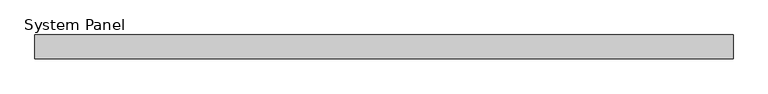
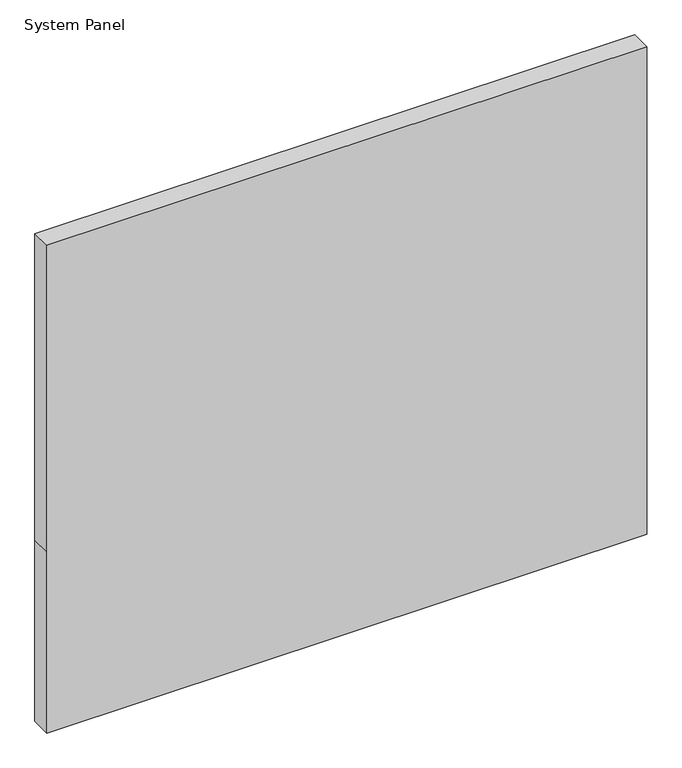
"""IFC4 building model written with IfcOpenShell, lengths in millimetres: plate geometry, System Panel."""

from ifc_helpers import new_model, si_unit, frame, origin, place, context, project, spatial, polyline, outline, extrude, source, transform, mapped, element, save


def system_panel_a32ce184(model_context):
    return source(origin(), model_context, "Body", "SweptSolid", [
        extrude(outline(polyline([(0.0, -587.5), (0.0, 587.5), (375.0, 587.5), (1010.0, 587.5), (1010.0, -587.5), (375.0, -587.5), (0.0, -587.5)])), frame((0.0, 14.0, 0.0), z_axis=(0.0, 1.0, 0.0), x_axis=(0.0, 0.0, 1.0)), (0.0, 0.0, 1.0), 40.0),
    ])


if __name__ == "__main__":
    model = new_model("IFC4")
    model_context = context("Model", 3, world=origin())
    ifc_project = project(units=[si_unit("LENGTHUNIT", "METRE", prefix="MILLI")], contexts=[model_context])
    site = spatial("IfcSite", under=ifc_project)
    building = spatial("IfcBuilding", under=site)
    placement = place(None, origin())
    system_panel_shape = system_panel_a32ce184(model_context)
    element("IfcPlate", 1, ObjectType="System Panel", at=placement, inside=building, context=model_context, shape_type="MappedRepresentation", body=[
        mapped(system_panel_shape, transform((0.0, 0.0, 0.0), x_axis=(1.0, 0.0, 0.0), y_axis=(0.0, 1.0, 0.0), z_axis=(0.0, 0.0, 1.0))),
    ])
    save(model, "model.ifc")
